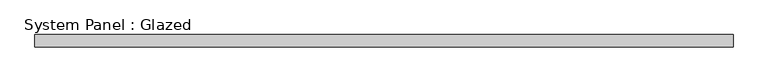
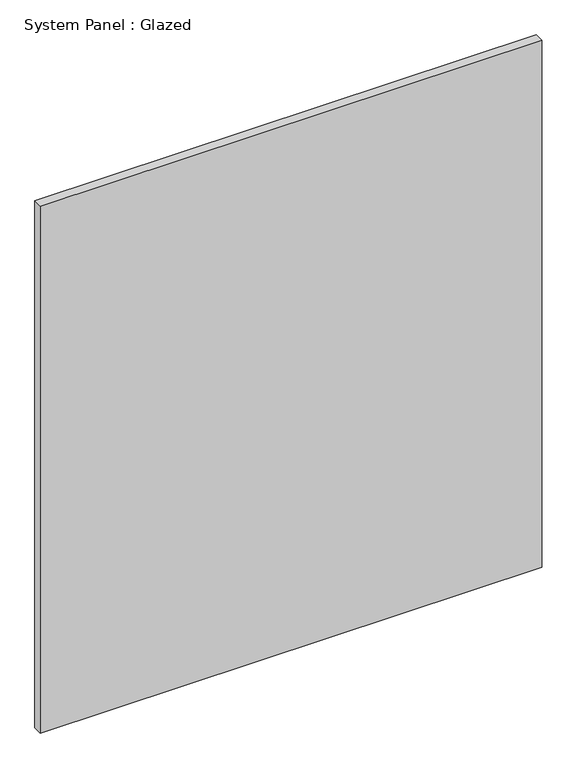
"""IFC4 building model written with IfcOpenShell, lengths in millimetres: plate geometry, System Panel : Glazed."""

import ifcopenshell
import ifcopenshell.guid

model = None  # the IFC model being written
_history = None  # IfcOwnerHistory: only IFC2X3 demands one
_inside = {}  # id of a spatial element -> (the spatial element, [elements in it])
_under = {}  # id of a project, library or spatial element -> (it, [spatial elements below it])
_declared = {}  # id of a project -> (the project, [libraries it declares])
_typed = {}  # id of a type object -> (the type object, [elements of that type])
_made_of = {}  # id of a material, layer set ... -> (it, [elements and type objects made of it])


def new_model(schema):
    """Start an empty IFC model of exactly this schema.

    Asked for "IFC4X3", IfcOpenShell would pick the latest addendum, in which some entities
    have other attributes; the version numbers below select the first issue.
    IFC2X3 requires an IfcOwnerHistory on every rooted entity: one is made here for all.
    """
    global model, _history
    if schema == "IFC4X3":
        model = ifcopenshell.file(schema_version=(4, 3, 0, 0))
    else:
        model = ifcopenshell.file(schema=schema)
    _inside.clear()
    _under.clear()
    _declared.clear()
    _typed.clear()
    _made_of.clear()
    _history = None
    if model.schema == "IFC2X3":
        org = make("IfcOrganization", Name="unknown")
        user = make(
            "IfcPersonAndOrganization",
            ThePerson=make("IfcPerson", FamilyName="unknown"),
            TheOrganization=org,
        )
        app = make(
            "IfcApplication",
            ApplicationDeveloper=org,
            Version="unknown",
            ApplicationFullName="unknown",
            ApplicationIdentifier="unknown",
        )
        _history = make(
            "IfcOwnerHistory",
            OwningUser=user,
            OwningApplication=app,
            ChangeAction="ADDED",
            CreationDate=0,
        )
    return model


def make(cls, **values):
    """One entity of the class cls with the attributes given. An attribute that is None is left unset."""
    return model.create_entity(
        cls, **{name: value for name, value in values.items() if value is not None}
    )


def rooted(cls, **values):
    """An entity with a GlobalId (a new one), such as an element, a storey or a relation."""
    return make(cls, GlobalId=ifcopenshell.guid.new(), OwnerHistory=_history, **values)


def si_unit(unit_type, name, prefix=None):
    """IfcSIUnit, for example si_unit("LENGTHUNIT", "METRE", prefix="MILLI")."""
    return make("IfcSIUnit", UnitType=unit_type, Prefix=prefix, Name=name)


def assignment(units):
    """IfcUnitAssignment: the units of a project."""
    return None if units is None else make("IfcUnitAssignment", Units=units)


def point(xyz):
    """IfcCartesianPoint."""
    return None if xyz is None else make("IfcCartesianPoint", Coordinates=xyz)


def direction(xyz):
    """IfcDirection."""
    return None if xyz is None else make("IfcDirection", DirectionRatios=xyz)


def frame(location, z_axis=None, x_axis=None):
    """IfcAxis2Placement3D, a coordinate frame: its origin and axes. An axis left out is left unset."""
    return make(
        "IfcAxis2Placement3D",
        Location=point(location),
        Axis=direction(z_axis),
        RefDirection=direction(x_axis),
    )


def origin():
    """The frame at (0, 0, 0) with its axes left unset."""
    return frame((0.0, 0.0, 0.0))


def origin_with_axes():
    """The frame at (0, 0, 0) with the z axis (0, 0, 1) and the x axis (1, 0, 0) written out."""
    return frame((0.0, 0.0, 0.0), z_axis=(0.0, 0.0, 1.0), x_axis=(1.0, 0.0, 0.0))


def place(relative_to, where):
    """IfcLocalPlacement: puts the frame where relative to a parent placement (None: the world)."""
    return make(
        "IfcLocalPlacement", PlacementRelTo=relative_to, RelativePlacement=where
    )


def context(
    kind, dimensions, precision=None, world=None, true_north=None, identifier=None
):
    """IfcGeometricRepresentationContext, for example the 3D "Model" context."""
    return make(
        "IfcGeometricRepresentationContext",
        ContextIdentifier=identifier,
        ContextType=kind,
        CoordinateSpaceDimension=dimensions,
        Precision=precision,
        WorldCoordinateSystem=world,
        TrueNorth=true_north,
    )


def project(units=None, contexts=None):
    """IfcProject with its units and contexts."""
    return rooted(
        "IfcProject",
        Name="project",
        RepresentationContexts=contexts,
        UnitsInContext=assignment(units),
    )


def spatial(cls, under=None, at=None, **own):
    """A site, building, storey or space (cls), placed at a placement, below another one or the project."""
    s = rooted(cls, ObjectPlacement=at, **own)
    if under is not None:
        _under.setdefault(under.id(), (under, []))[1].append(s)
    return s


def polyline(points):
    """IfcPolyline through the points."""
    return make("IfcPolyline", Points=[point(p) for p in points])


def outline(outer, holes=None, kind="AREA"):
    """IfcArbitraryClosedProfileDef: a profile drawn as a closed curve; with holes, ...WithVoids."""
    if holes is None:
        return make("IfcArbitraryClosedProfileDef", ProfileType=kind, OuterCurve=outer)
    return make(
        "IfcArbitraryProfileDefWithVoids",
        ProfileType=kind,
        OuterCurve=outer,
        InnerCurves=holes,
    )


def extrude(swept, where, along, depth):
    """IfcExtrudedAreaSolid: the profile swept, set in the frame where, extruded along a direction by depth."""
    return make(
        "IfcExtrudedAreaSolid",
        SweptArea=swept,
        Position=where,
        ExtrudedDirection=direction(along),
        Depth=depth,
    )


def shape(context_of_items, identifier, shape_type, items):
    """IfcShapeRepresentation: the items that make up one representation, for example the "Body"."""
    return make(
        "IfcShapeRepresentation",
        ContextOfItems=context_of_items,
        RepresentationIdentifier=identifier,
        RepresentationType=shape_type,
        Items=items,
    )


def source(mapping_origin, context_of_items, identifier, shape_type, items):
    """IfcRepresentationMap: a shape defined once, which mapped items show again and again."""
    return make(
        "IfcRepresentationMap",
        MappingOrigin=mapping_origin,
        MappedRepresentation=shape(context_of_items, identifier, shape_type, items),
    )


def transform(
    local_origin,
    x_axis=None,
    y_axis=None,
    z_axis=None,
    scale=None,
    scale2=None,
    scale3=None,
    uniform=True,
):
    """IfcCartesianTransformationOperator3D, or its non-uniform kind. x_axis, y_axis, z_axis: its Axis1, 2, 3."""
    if uniform:
        return make(
            "IfcCartesianTransformationOperator3D",
            Axis1=direction(x_axis),
            Axis2=direction(y_axis),
            LocalOrigin=point(local_origin),
            Scale=scale,
            Axis3=direction(z_axis),
        )
    return make(
        "IfcCartesianTransformationOperator3DnonUniform",
        Axis1=direction(x_axis),
        Axis2=direction(y_axis),
        LocalOrigin=point(local_origin),
        Scale=scale,
        Axis3=direction(z_axis),
        Scale2=scale2,
        Scale3=scale3,
    )


def mapped(mapping_source, mapping_target):
    """IfcMappedItem: shows the shape of a source again, moved by a transform."""
    return make(
        "IfcMappedItem", MappingSource=mapping_source, MappingTarget=mapping_target
    )


def made_of(thing, what):
    """Note that an element or type object is made of a material, layer set ...; save() writes the relation."""
    if what is not None:
        _made_of.setdefault(what.id(), (what, []))[1].append(thing)
    return thing


def element(
    cls,
    number,
    at=None,
    inside=None,
    cuts=None,
    type_object=None,
    material=None,
    context=None,
    identifier="Body",
    shape_type=None,
    held_by="IfcProductDefinitionShape",
    body=None,
    shapes=None,
    **own,
):
    """One element of the class cls, such as IfcWall. Its Tag is "e" and its number.

    at: its placement. inside: the storey or other place that contains it. cuts: it is an
    opening in that element (IfcRelVoidsElement). A single representation is given by context,
    identifier, shape_type and body (its items); several are given by shapes. held_by: the class
    of the entity that holds the representations. save() writes the other relations.
    """
    e = rooted(cls, Tag="e%d" % number, ObjectPlacement=at, **own)
    if body is not None:
        shapes = [shape(context, identifier, shape_type, body)]
    if shapes is not None:
        e.Representation = make(held_by, Representations=shapes)
    if inside is not None:
        _inside.setdefault(inside.id(), (inside, []))[1].append(e)
    if cuts is not None:
        rooted(
            "IfcRelVoidsElement", RelatingBuildingElement=cuts, RelatedOpeningElement=e
        )
    if type_object is not None:
        _typed.setdefault(type_object.id(), (type_object, []))[1].append(e)
    return made_of(e, material)


def aggregate(whole, parts):
    """IfcRelAggregates: a whole, such as a stair, and the parts it consists of."""
    return rooted("IfcRelAggregates", RelatingObject=whole, RelatedObjects=parts)


def save(model, path):
    """Write the relations noted so far, then the file.

    IfcRelAggregates (storeys below a building ...), IfcRelContainedInSpatialStructure (elements
    in a storey), IfcRelDefinesByType, IfcRelAssociatesMaterial and IfcRelDeclares: one each for
    every whole, place, type object, material and project.
    """
    for whole, parts in _under.values():
        aggregate(whole, parts)
    for where, things in _inside.values():
        rooted(
            "IfcRelContainedInSpatialStructure",
            RelatedElements=things,
            RelatingStructure=where,
        )
    for kind, things in _typed.values():
        rooted("IfcRelDefinesByType", RelatedObjects=things, RelatingType=kind)
    for what, things in _made_of.values():
        rooted("IfcRelAssociatesMaterial", RelatedObjects=things, RelatingMaterial=what)
    for by, libraries in _declared.values():
        rooted("IfcRelDeclares", RelatingContext=by, RelatedDefinitions=libraries)
    model.write(path)


def system_panel_glazed_a618c304(model_context):
    return source(origin(), model_context, "Body", "SweptSolid", [
        extrude(outline(polyline([(706.975, 19.05), (-706.975, 19.05), (-706.975, 44.45), (706.975, 44.45), (706.975, 19.05)])), origin_with_axes(), (0.0, 0.0, 1.0), 1570.7535601),
    ])


if __name__ == "__main__":
    model = new_model("IFC4")
    model_context = context("Model", 3, world=origin())
    ifc_project = project(units=[si_unit("LENGTHUNIT", "METRE", prefix="MILLI")], contexts=[model_context])
    site = spatial("IfcSite", under=ifc_project)
    building = spatial("IfcBuilding", under=site)
    placement = place(None, origin())
    system_panel_glazed_shape = system_panel_glazed_a618c304(model_context)
    element("IfcPlate", 1, ObjectType="System Panel : Glazed", at=placement, inside=building, context=model_context, shape_type="MappedRepresentation", body=[
        mapped(system_panel_glazed_shape, transform((0.0, 0.0, 0.0), x_axis=(1.0, 0.0, 0.0), y_axis=(0.0, 1.0, 0.0), z_axis=(0.0, 0.0, 1.0))),
    ])
    save(model, "model.ifc")
